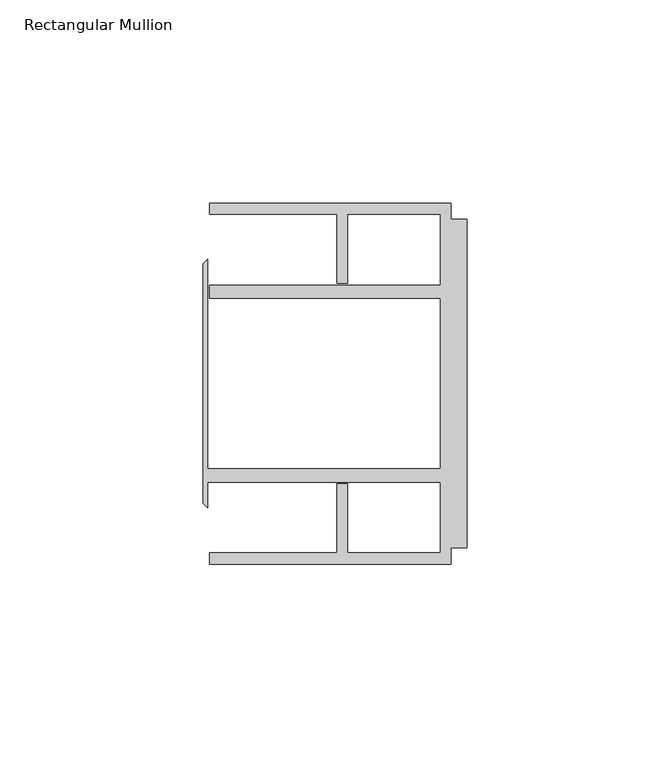
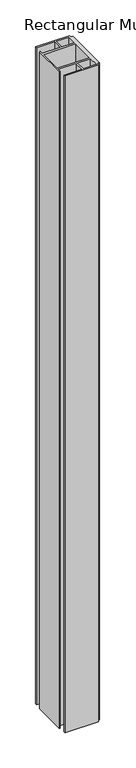
"""IFC4 building model written with IfcOpenShell, lengths in millimetres: member geometry, Rectangular Mullion."""

from ifc_helpers import new_model, si_unit, frame, origin, place, context, project, spatial, polyline, outline, extrude, source, transform, mapped, element, save


def rectangular_mullion_1c6c7cc5(model_context):
    return source(origin(), model_context, "Body", "SweptSolid", [
        extrude(outline(polyline([(-4.0000001, 44.45), (-4.0000001, 40.4500013), (0.0, 40.4500013), (0.0, -40.4500013), (-4.0000001, -40.4500013), (-4.0000001, -44.45), (-63.5, -44.45), (-63.5, -41.6500013), (-32.0000002, -41.6500013), (-32.0000002, -24.6468758), (-29.4000001, -24.6468758), (-29.4000001, -41.6500013), (-6.6000002, -41.6500013), (-6.6000002, -24.2500008), (-63.9424102, -24.2500008), (-63.9424102, -30.6159585), (-65.0875, -29.4708687), (-65.0875, 29.4708687), (-63.9424102, 30.6159585), (-63.9424102, -20.9500007), (-6.6000002, -20.9500007), (-6.6000002, 20.9500007), (-63.5, 20.9500007), (-63.5, 24.2500008), (-6.6000002, 24.2500008), (-6.6000002, 41.6500013), (-29.4000001, 41.6500013), (-29.4000001, 24.6468758), (-32.0000002, 24.6468758), (-32.0000002, 41.6500013), (-63.5, 41.6500013), (-63.5, 44.45), (-4.0000001, 44.45)])), frame((0.0, 0.0, -1219.2), z_axis=(0.0, 0.0, 1.0), x_axis=(1.0, 0.0, 0.0)), (0.0, 0.0, 1.0), 1219.2),
    ])


if __name__ == "__main__":
    model = new_model("IFC4")
    model_context = context("Model", 3, world=origin())
    ifc_project = project(units=[si_unit("LENGTHUNIT", "METRE", prefix="MILLI")], contexts=[model_context])
    site = spatial("IfcSite", under=ifc_project)
    building = spatial("IfcBuilding", under=site)
    placement = place(None, origin())
    rectangular_mullion_shape = rectangular_mullion_1c6c7cc5(model_context)
    element("IfcMember", 1, ObjectType="Rectangular Mullion", at=placement, inside=building, context=model_context, shape_type="MappedRepresentation", body=[
        mapped(rectangular_mullion_shape, transform((0.0, 0.0, 0.0), x_axis=(1.0, 0.0, 0.0), y_axis=(0.0, 1.0, 0.0), z_axis=(0.0, 0.0, 1.0))),
    ])
    save(model, "model.ifc")
